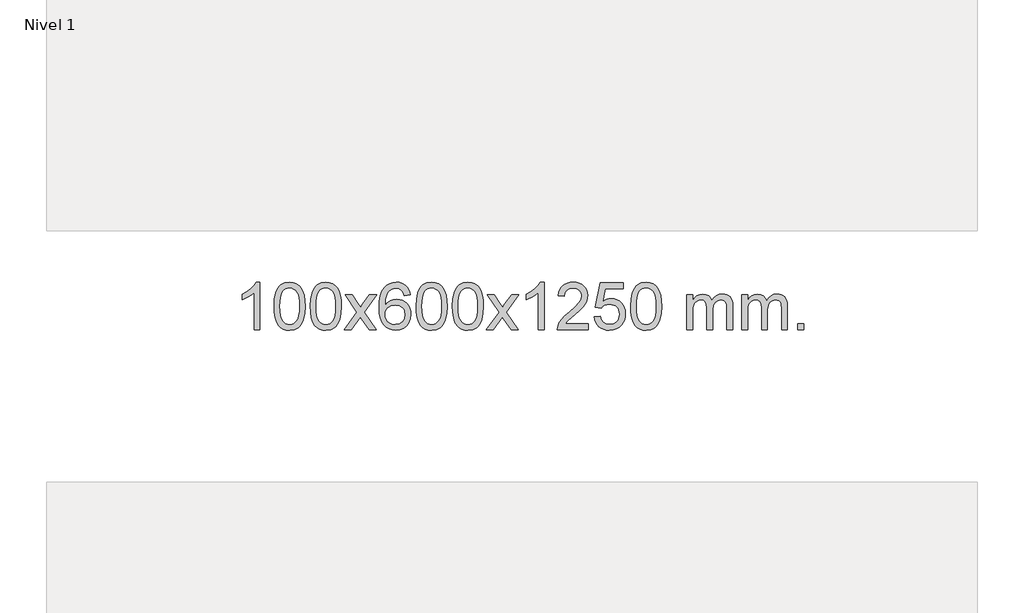
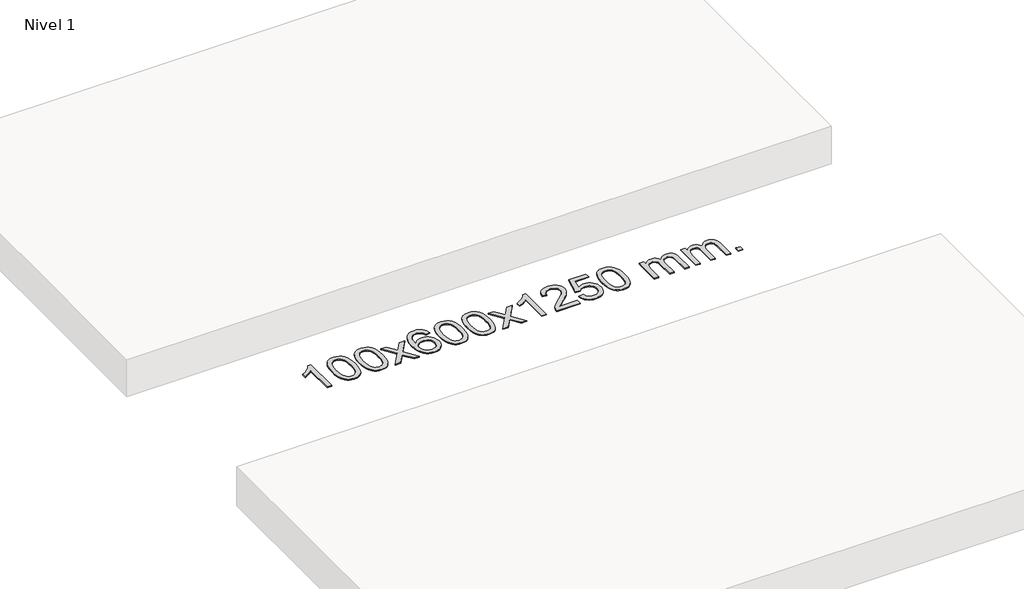
# One storey, part 5 of 5: 1 proxy.
"""IFC4 building model written with IfcOpenShell, lengths in millimetres."""

from ifc_helpers import new_model, si_unit, origin, origin_with_axes, place, context, project, spatial, polyline, outline, extrude, element, save

model = new_model("IFC4")

# Units and contexts
model_context = context("Model", 3, world=origin())
ifc_project = project(units=[si_unit("LENGTHUNIT", "METRE", prefix="MILLI")], contexts=[model_context])

# Site, building, storey
site = spatial("IfcSite", under=ifc_project)
building = spatial("IfcBuilding", under=site)
storey = spatial("IfcBuildingStorey", under=building, Name="Nivel 1", Elevation=0.0)

# Proxy
placement = place(None, origin())
element("IfcBuildingElementProxy", 1, Name="Texto de modelo 1", ObjectType="Texto de modelo 1", at=placement, inside=storey, context=model_context, shape_type="SweptSolid", body=[
    extrude(outline(polyline([(-11506.2923798, -6484.6168569), (-11556.5205348, -6484.6168569), (-11556.5205348, -6171.4757026), (-11577.4898086, -6188.4350626), (-11604.0999396, -6205.3698971), (-11656.976845, -6230.7292293), (-11656.976845, -6183.2479264), (-11617.5276324, -6161.7881434), (-11583.351395, -6136.2571329), (-11556.4101702, -6109.1074417), (-11538.6659953, -6082.7916163), (-11506.2923798, -6082.7916163), (-11506.2923798, -6484.6168569)])), origin_with_axes(), (0.0, 0.0, 1.0), 10.0),
    extrude(outline(polyline([(-11387.0005115, -6286.9415981), (-11383.3094288, -6222.6235626), (-11372.2361807, -6171.3285498), (-11353.8911319, -6132.2717446), (-11342.0330689, -6117.0383643), (-11328.3846469, -6104.6683323), (-11312.8998806, -6095.097269), (-11295.5327847, -6088.2607953), (-11255.1516044, -6082.7916163), (-11224.2004659, -6086.0289778), (-11196.4866889, -6095.7410625), (-11173.3101232, -6111.5477256), (-11155.9706185, -6133.0688223), (-11142.8740195, -6160.1204117), (-11132.4261708, -6192.5185527), (-11125.5835657, -6233.6600225), (-11123.3026973, -6286.9415981), (-11126.9569918, -6350.8917516), (-11137.9198753, -6402.0641372), (-11156.1545595, -6441.1577305), (-11167.9850313, -6456.437096), (-11181.6242563, -6468.8715075), (-11197.1274167, -6478.5069501), (-11214.5496949, -6485.3894091), (-11255.1516044, -6490.8953763), (-11282.8163304, -6488.5041433), (-11307.3417968, -6481.3304444), (-11328.7280034, -6469.3742795), (-11346.9749504, -6452.6356488), (-11364.4861334, -6422.3773547), (-11376.9941212, -6384.6755815), (-11384.4989139, -6339.5303293), (-11387.0005115, -6286.9415981)]), holes=[polyline([(-11336.7723564, -6286.8434963), (-11335.3008284, -6330.5080234), (-11330.8862445, -6365.8522861), (-11323.5286046, -6392.8762843), (-11313.2279087, -6411.5800181), (-11300.7689718, -6424.3056694), (-11286.9366088, -6433.3954204), (-11271.7308196, -6438.849271), (-11255.1516044, -6440.6672212), (-11238.5723891, -6438.8431396), (-11223.3666, -6433.3708949), (-11209.534237, -6424.2504871), (-11197.0753001, -6411.4819162), (-11186.7746042, -6392.7475256), (-11179.4169643, -6365.7296588), (-11175.0023804, -6330.4283156), (-11173.5308524, -6286.8434963), (-11174.9533294, -6244.3347317), (-11179.2207606, -6209.6128027), (-11186.3331458, -6182.6777093), (-11196.2904852, -6163.5294515), (-11208.5409556, -6150.1814664), (-11222.5327342, -6140.6471914), (-11238.2658208, -6134.9266264), (-11255.7402156, -6133.0197713), (-11272.2335917, -6134.6997658), (-11287.1818634, -6139.7397491), (-11300.5850308, -6148.1397213), (-11312.4430938, -6159.8996825), (-11323.0871462, -6180.7463289), (-11330.6900407, -6208.8525133), (-11335.2517775, -6244.2182358), (-11336.7723564, -6286.8434963)])]), origin_with_axes(), (0.0, 0.0, 1.0), 10.0),
    extrude(outline(polyline([(-11079.3530616, -6286.9415981), (-11075.6619789, -6222.6235626), (-11064.5887309, -6171.3285498), (-11046.2436821, -6132.2717446), (-11034.3856191, -6117.0383643), (-11020.7371971, -6104.6683323), (-11005.2524308, -6095.097269), (-10987.8853349, -6088.2607953), (-10947.5041546, -6082.7916163), (-10916.553016, -6086.0289778), (-10888.8392391, -6095.7410625), (-10865.6626734, -6111.5477256), (-10848.3231687, -6133.0688223), (-10835.2265696, -6160.1204117), (-10824.778721, -6192.5185527), (-10817.9361159, -6233.6600225), (-10815.6552475, -6286.9415981), (-10819.309542, -6350.8917516), (-10830.2724254, -6402.0641372), (-10848.5071097, -6441.1577305), (-10860.3375815, -6456.437096), (-10873.9768065, -6468.8715075), (-10889.4799669, -6478.5069501), (-10906.902245, -6485.3894091), (-10947.5041546, -6490.8953763), (-10975.1688806, -6488.5041433), (-10999.6943469, -6481.3304444), (-11021.0805536, -6469.3742795), (-11039.3275006, -6452.6356488), (-11056.8386835, -6422.3773547), (-11069.3466714, -6384.6755815), (-11076.8514641, -6339.5303293), (-11079.3530616, -6286.9415981)]), holes=[polyline([(-11029.1249066, -6286.8434963), (-11027.6533786, -6330.5080234), (-11023.2387946, -6365.8522861), (-11015.8811547, -6392.8762843), (-11005.5804589, -6411.5800181), (-10993.121522, -6424.3056694), (-10979.2891589, -6433.3954204), (-10964.0833698, -6438.849271), (-10947.5041546, -6440.6672212), (-10930.9249393, -6438.8431396), (-10915.7191502, -6433.3708949), (-10901.8867872, -6424.2504871), (-10889.4278503, -6411.4819162), (-10879.1271544, -6392.7475256), (-10871.7695145, -6365.7296588), (-10867.3549305, -6330.4283156), (-10865.8834026, -6286.8434963), (-10867.3058796, -6244.3347317), (-10871.5733108, -6209.6128027), (-10878.685696, -6182.6777093), (-10888.6430353, -6163.5294515), (-10900.8935058, -6150.1814664), (-10914.8852843, -6140.6471914), (-10930.618371, -6134.9266264), (-10948.0927658, -6133.0197713), (-10964.5861419, -6134.6997658), (-10979.5344136, -6139.7397491), (-10992.937581, -6148.1397213), (-11004.7956439, -6159.8996825), (-11015.4396963, -6180.7463289), (-11023.0425909, -6208.8525133), (-11027.6043276, -6244.2182358), (-11029.1249066, -6286.8434963)])]), origin_with_axes(), (0.0, 0.0, 1.0), 10.0),
    extrude(outline(polyline([(-10790.54117, -6484.6168569), (-10683.2177292, -6336.2868364), (-10784.2626506, -6189.5264458), (-10723.8319015, -6189.5264458), (-10675.0752744, -6260.1597889), (-10652.3156416, -6293.5144231), (-10632.5971667, -6266.2421045), (-10577.0715109, -6189.5264458), (-10516.6407618, -6189.5264458), (-10622.7869802, -6336.2868364), (-10520.5648364, -6484.6168569), (-10580.9955855, -6484.6168569), (-10642.5054551, -6395.4422612), (-10653.7871696, -6379.1573516), (-10730.1104209, -6484.6168569), (-10790.54117, -6484.6168569)])), origin_with_axes(), (0.0, 0.0, 1.0), 10.0),
    extrude(outline(polyline([(-10231.7529447, -6189.5264458), (-10281.9810998, -6195.8049652), (-10290.0745037, -6170.9116168), (-10301.0128617, -6153.9154687), (-10323.7970199, -6138.2436957), (-10351.3391186, -6133.0197713), (-10374.6873626, -6136.0609292), (-10396.6621805, -6145.1844027), (-10415.5345268, -6164.4001055), (-10430.9487824, -6190.850821), (-10441.3598429, -6228.2644199), (-10445.2226038, -6280.3687731), (-10425.0749332, -6256.8611137), (-10400.9296116, -6240.2941611), (-10374.1355396, -6230.4717119), (-10346.0416179, -6227.1975621), (-10321.908559, -6229.4355109), (-10299.6394356, -6236.1493573), (-10279.2342476, -6247.3391013), (-10260.692995, -6263.004743), (-10245.2848708, -6282.2143145), (-10234.2790678, -6304.0358482), (-10227.675586, -6328.469344), (-10225.4744254, -6355.514802), (-10229.6192292, -6391.4813984), (-10242.0536406, -6424.8237699), (-10261.7475901, -6453.1016326), (-10287.671008, -6473.8747026), (-10318.646672, -6486.6402078), (-10353.4973597, -6490.8953763), (-10383.4398884, -6488.0749476), (-10410.4822807, -6479.6136617), (-10434.6245367, -6465.5115186), (-10455.8666562, -6445.7685182), (-10473.1847011, -6419.5507947), (-10485.5547332, -6386.0244822), (-10492.9767525, -6345.1895807), (-10495.4507589, -6297.0460903), (-10492.7039067, -6243.0716702), (-10484.46335, -6197.006713), (-10470.7290888, -6158.8512188), (-10451.5011232, -6128.6051874), (-10430.6606082, -6108.56175), (-10406.4968925, -6094.2450091), (-10379.009976, -6085.6549645), (-10348.199859, -6082.7916163), (-10325.0662128, -6084.5635812), (-10304.1275959, -6089.879476), (-10285.3840083, -6098.7393008), (-10268.8354499, -6111.1430554), (-10254.9295104, -6126.6738069), (-10244.1137798, -6144.9146225), (-10236.3882579, -6165.8655021), (-10231.7529447, -6189.5264458)]), holes=[polyline([(-10445.2226038, -6354.7299871), (-10442.3163361, -6376.9868478), (-10433.5975328, -6398.2381644), (-10420.0594753, -6416.5096368), (-10402.6954452, -6429.8269651), (-10381.7384342, -6437.9571571), (-10357.4214343, -6440.6672212), (-10324.2752665, -6435.0508894), (-10310.3601301, -6428.0304746), (-10298.2169585, -6418.201894), (-10288.3669181, -6405.9636863), (-10281.331175, -6391.7143904), (-10275.7025804, -6357.1825337), (-10281.2575986, -6324.036366), (-10288.2013712, -6310.4155351), (-10297.9226529, -6298.7628729), (-10310.1026127, -6289.4278673), (-10324.4224193, -6282.7600061), (-10359.4815735, -6277.4257172), (-10392.5786903, -6282.7600061), (-10420.2556791, -6298.7628729), (-10431.1787086, -6310.2622509), (-10438.9808726, -6323.4232293), (-10443.662171, -6338.245808), (-10445.2226038, -6354.7299871)])]), origin_with_axes(), (0.0, 0.0, 1.0), 10.0),
    extrude(outline(polyline([(-10181.5247897, -6286.9415981), (-10177.833707, -6222.6235626), (-10166.7604589, -6171.3285498), (-10148.4154101, -6132.2717446), (-10136.5573471, -6117.0383643), (-10122.9089251, -6104.6683323), (-10107.4241588, -6095.097269), (-10090.0570629, -6088.2607953), (-10049.6758826, -6082.7916163), (-10018.7247441, -6086.0289778), (-9991.0109671, -6095.7410625), (-9967.8344014, -6111.5477256), (-9950.4948967, -6133.0688223), (-9937.3982977, -6160.1204117), (-9926.950449, -6192.5185527), (-9920.1078439, -6233.6600225), (-9917.8269755, -6286.9415981), (-9921.48127, -6350.8917516), (-9932.4441535, -6402.0641372), (-9950.6788377, -6441.1577305), (-9962.5093095, -6456.437096), (-9976.1485345, -6468.8715075), (-9991.6516949, -6478.5069501), (-10009.0739731, -6485.3894091), (-10049.6758826, -6490.8953763), (-10077.3406086, -6488.5041433), (-10101.866075, -6481.3304444), (-10123.2522816, -6469.3742795), (-10141.4992286, -6452.6356488), (-10159.0104116, -6422.3773547), (-10171.5183994, -6384.6755815), (-10179.0231921, -6339.5303293), (-10181.5247897, -6286.9415981)]), holes=[polyline([(-10131.2966346, -6286.8434963), (-10129.8251066, -6330.5080234), (-10125.4105227, -6365.8522861), (-10118.0528828, -6392.8762843), (-10107.7521869, -6411.5800181), (-10095.29325, -6424.3056694), (-10081.460887, -6433.3954204), (-10066.2550978, -6438.849271), (-10049.6758826, -6440.6672212), (-10033.0966674, -6438.8431396), (-10017.8908782, -6433.3708949), (-10004.0585152, -6424.2504871), (-9991.5995783, -6411.4819162), (-9981.2988824, -6392.7475256), (-9973.9412425, -6365.7296588), (-9969.5266586, -6330.4283156), (-9968.0551306, -6286.8434963), (-9969.4776077, -6244.3347317), (-9973.7450388, -6209.6128027), (-9980.857424, -6182.6777093), (-9990.8147634, -6163.5294515), (-10003.0652338, -6150.1814664), (-10017.0570124, -6140.6471914), (-10032.790099, -6134.9266264), (-10050.2644938, -6133.0197713), (-10066.7578699, -6134.6997658), (-10081.7061416, -6139.7397491), (-10095.109309, -6148.1397213), (-10106.967372, -6159.8996825), (-10117.6114244, -6180.7463289), (-10125.2143189, -6208.8525133), (-10129.7760557, -6244.2182358), (-10131.2966346, -6286.8434963)])]), origin_with_axes(), (0.0, 0.0, 1.0), 10.0),
    extrude(outline(polyline([(-9873.8773398, -6286.9415981), (-9870.1862572, -6222.6235626), (-9859.1130091, -6171.3285498), (-9840.7679603, -6132.2717446), (-9828.9098973, -6117.0383643), (-9815.2614753, -6104.6683323), (-9799.776709, -6095.097269), (-9782.4096131, -6088.2607953), (-9742.0284328, -6082.7916163), (-9711.0772942, -6086.0289778), (-9683.3635173, -6095.7410625), (-9660.1869516, -6111.5477256), (-9642.8474469, -6133.0688223), (-9629.7508478, -6160.1204117), (-9619.3029992, -6192.5185527), (-9612.4603941, -6233.6600225), (-9610.1795257, -6286.9415981), (-9613.8338202, -6350.8917516), (-9624.7967036, -6402.0641372), (-9643.0313879, -6441.1577305), (-9654.8618597, -6456.437096), (-9668.5010847, -6468.8715075), (-9684.0042451, -6478.5069501), (-9701.4265232, -6485.3894091), (-9742.0284328, -6490.8953763), (-9769.6931588, -6488.5041433), (-9794.2186251, -6481.3304444), (-9815.6048318, -6469.3742795), (-9833.8517788, -6452.6356488), (-9851.3629617, -6422.3773547), (-9863.8709496, -6384.6755815), (-9871.3757423, -6339.5303293), (-9873.8773398, -6286.9415981)]), holes=[polyline([(-9823.6491848, -6286.8434963), (-9822.1776568, -6330.5080234), (-9817.7630728, -6365.8522861), (-9810.4054329, -6392.8762843), (-9800.1047371, -6411.5800181), (-9787.6458002, -6424.3056694), (-9773.8134372, -6433.3954204), (-9758.607648, -6438.849271), (-9742.0284328, -6440.6672212), (-9725.4492175, -6438.8431396), (-9710.2434284, -6433.3708949), (-9696.4110654, -6424.2504871), (-9683.9521285, -6411.4819162), (-9673.6514326, -6392.7475256), (-9666.2937927, -6365.7296588), (-9661.8792088, -6330.4283156), (-9660.4076808, -6286.8434963), (-9661.8301578, -6244.3347317), (-9666.097589, -6209.6128027), (-9673.2099742, -6182.6777093), (-9683.1673135, -6163.5294515), (-9695.417784, -6150.1814664), (-9709.4095625, -6140.6471914), (-9725.1426492, -6134.9266264), (-9742.617044, -6133.0197713), (-9759.1104201, -6134.6997658), (-9774.0586918, -6139.7397491), (-9787.4618592, -6148.1397213), (-9799.3199221, -6159.8996825), (-9809.9639745, -6180.7463289), (-9817.5668691, -6208.8525133), (-9822.1286058, -6244.2182358), (-9823.6491848, -6286.8434963)])]), origin_with_axes(), (0.0, 0.0, 1.0), 10.0),
    extrude(outline(polyline([(-9585.0654482, -6484.6168569), (-9477.7420074, -6336.2868364), (-9578.7869288, -6189.5264458), (-9518.3561797, -6189.5264458), (-9469.5995526, -6260.1597889), (-9446.8399198, -6293.5144231), (-9427.1214449, -6266.2421045), (-9371.5957891, -6189.5264458), (-9311.16504, -6189.5264458), (-9417.3112584, -6336.2868364), (-9315.0891146, -6484.6168569), (-9375.5198637, -6484.6168569), (-9437.0297333, -6395.4422612), (-9448.3114478, -6379.1573516), (-9524.6346991, -6484.6168569), (-9585.0654482, -6484.6168569)])), origin_with_axes(), (0.0, 0.0, 1.0), 10.0),
    extrude(outline(polyline([(-9095.3409362, -6484.6168569), (-9145.5690913, -6484.6168569), (-9145.5690913, -6171.4757026), (-9166.538365, -6188.4350626), (-9193.148496, -6205.3698971), (-9246.0254014, -6230.7292293), (-9246.0254014, -6183.2479264), (-9206.5761888, -6161.7881434), (-9172.3999514, -6136.2571329), (-9145.4587267, -6109.1074417), (-9127.7145518, -6082.7916163), (-9095.3409362, -6082.7916163), (-9095.3409362, -6484.6168569)])), origin_with_axes(), (0.0, 0.0, 1.0), 10.0),
    extrude(outline(polyline([(-8718.6297731, -6434.3887018), (-8718.6297731, -6484.6168569), (-8982.3275873, -6484.6168569), (-8981.2239413, -6466.9339956), (-8976.9319847, -6449.9868984), (-8964.5466242, -6422.9230463), (-8946.4223045, -6396.6685346), (-8920.204581, -6369.1877495), (-8883.5390088, -6338.4450775), (-8829.3377282, -6290.301587), (-8796.8169598, -6254.7641863), (-8780.5565756, -6225.9222379), (-8775.1364476, -6197.8651044), (-8780.2500073, -6172.7142386), (-8795.5906865, -6151.8062786), (-8819.1719224, -6137.7163982), (-8849.0071522, -6133.0197713), (-8880.3384355, -6137.6060336), (-8904.6799608, -6151.3648202), (-8920.388522, -6173.2170107), (-8925.8209128, -6202.0834846), (-8976.0490679, -6195.8049652), (-8971.7295201, -6169.8754159), (-8963.8721738, -6147.2200164), (-8952.477029, -6127.8387666), (-8937.5440857, -6111.7316666), (-8919.4167004, -6099.0703946), (-8898.4382296, -6090.0266288), (-8874.6086734, -6084.6003694), (-8847.9280317, -6082.7916163), (-8821.0082667, -6084.8027045), (-8797.0499518, -6090.8359692), (-8776.0530869, -6100.8914104), (-8758.0176721, -6114.9690281), (-8743.5323185, -6132.02649), (-8733.1856374, -6151.0214636), (-8726.9776287, -6171.9539492), (-8724.9082925, -6194.8239465), (-8727.1401099, -6218.8466408), (-8733.8355623, -6242.4524022), (-8745.7181507, -6266.4628337), (-8763.5113765, -6291.6995386), (-8791.8750784, -6321.829074), (-8835.4690948, -6360.5179972), (-8893.2510935, -6408.8331659), (-8915.9126244, -6434.3887018), (-8718.6297731, -6434.3887018)])), origin_with_axes(), (0.0, 0.0, 1.0), 10.0),
    extrude(outline(polyline([(-8668.401618, -6377.8820273), (-8618.173463, -6371.603508), (-8608.9518876, -6401.7575688), (-8592.8631817, -6423.3522419), (-8569.9809216, -6436.3384764), (-8540.3786837, -6440.6672212), (-8521.24882, -6439.1619707), (-8504.3752991, -6434.6462192), (-8489.7581212, -6427.1199667), (-8477.3972861, -6416.5832132), (-8467.5687055, -6403.5571249), (-8460.5482908, -6388.5628679), (-8454.931959, -6352.6698479), (-8460.1926715, -6318.8737553), (-8466.7685622, -6304.9555532), (-8475.9748091, -6293.0239138), (-8487.8420691, -6283.4528505), (-8502.4009991, -6276.6163768), (-8539.5938688, -6271.1471978), (-8563.9599196, -6273.3299643), (-8583.6906573, -6279.8782638), (-8599.4482694, -6289.9091796), (-8611.8949436, -6302.5397947), (-8662.1230987, -6296.2612753), (-8618.173463, -6089.0701357), (-8423.5393621, -6089.0701357), (-8423.5393621, -6139.2982907), (-8577.5592907, -6139.2982907), (-8599.0435992, -6249.9571949), (-8581.3178184, -6237.2530033), (-8563.162842, -6228.1785808), (-8544.5786698, -6222.7339272), (-8525.565302, -6220.9190427), (-8501.1042151, -6223.1692543), (-8478.6358222, -6229.9198889), (-8458.1601235, -6241.1709466), (-8439.6771189, -6256.9224273), (-8424.3762936, -6276.2117066), (-8413.4471327, -6298.0761598), (-8406.8896361, -6322.5157871), (-8404.7038039, -6349.5305882), (-8406.6719726, -6375.552108), (-8412.5764786, -6399.7587433), (-8422.417322, -6422.1504941), (-8436.1945027, -6442.7273604), (-8457.0656745, -6463.8008673), (-8481.4194626, -6478.8533723), (-8509.2558669, -6487.8848753), (-8540.5748875, -6490.8953763), (-8566.4952397, -6488.9609301), (-8589.907863, -6483.1575916), (-8610.8127574, -6473.4853608), (-8629.2099228, -6459.9442377), (-8644.5168795, -6443.2086726), (-8656.1511476, -6423.9531159), (-8664.1127271, -6402.1775674), (-8668.401618, -6377.8820273)])), origin_with_axes(), (0.0, 0.0, 1.0), 10.0),
    extrude(outline(polyline([(-8360.7541682, -6286.9415981), (-8357.0630855, -6222.6235626), (-8345.9898375, -6171.3285498), (-8327.6447886, -6132.2717446), (-8315.7867257, -6117.0383643), (-8302.1383036, -6104.6683323), (-8286.6535373, -6095.097269), (-8269.2864415, -6088.2607953), (-8228.9052611, -6082.7916163), (-8197.9541226, -6086.0289778), (-8170.2403456, -6095.7410625), (-8147.0637799, -6111.5477256), (-8129.7242752, -6133.0688223), (-8116.6276762, -6160.1204117), (-8106.1798275, -6192.5185527), (-8099.3372224, -6233.6600225), (-8097.0563541, -6286.9415981), (-8100.7106486, -6350.8917516), (-8111.673532, -6402.0641372), (-8129.9082162, -6441.1577305), (-8141.7386881, -6456.437096), (-8155.377913, -6468.8715075), (-8170.8810734, -6478.5069501), (-8188.3033516, -6485.3894091), (-8228.9052611, -6490.8953763), (-8256.5699872, -6488.5041433), (-8281.0954535, -6481.3304444), (-8302.4816602, -6469.3742795), (-8320.7286071, -6452.6356488), (-8338.2397901, -6422.3773547), (-8350.7477779, -6384.6755815), (-8358.2525706, -6339.5303293), (-8360.7541682, -6286.9415981)]), holes=[polyline([(-8310.5260131, -6286.8434963), (-8309.0544852, -6330.5080234), (-8304.6399012, -6365.8522861), (-8297.2822613, -6392.8762843), (-8286.9815654, -6411.5800181), (-8274.5226285, -6424.3056694), (-8260.6902655, -6433.3954204), (-8245.4844764, -6438.849271), (-8228.9052611, -6440.6672212), (-8212.3260459, -6438.8431396), (-8197.1202568, -6433.3708949), (-8183.2878937, -6424.2504871), (-8170.8289568, -6411.4819162), (-8160.528261, -6392.7475256), (-8153.1706211, -6365.7296588), (-8148.7560371, -6330.4283156), (-8147.2845091, -6286.8434963), (-8148.7069862, -6244.3347317), (-8152.9744173, -6209.6128027), (-8160.0868026, -6182.6777093), (-8170.0441419, -6163.5294515), (-8182.2946123, -6150.1814664), (-8196.2863909, -6140.6471914), (-8212.0194776, -6134.9266264), (-8229.4938723, -6133.0197713), (-8245.9872484, -6134.6997658), (-8260.9355202, -6139.7397491), (-8274.3386875, -6148.1397213), (-8286.1967505, -6159.8996825), (-8296.8408029, -6180.7463289), (-8304.4436975, -6208.8525133), (-8309.0054342, -6244.2182358), (-8310.5260131, -6286.8434963)])]), origin_with_axes(), (0.0, 0.0, 1.0), 10.0),
    extrude(outline(polyline([(-7883.586695, -6484.6168569), (-7883.586695, -6189.5264458), (-7833.3585399, -6189.5264458), (-7833.3585399, -6238.0868692), (-7818.2508527, -6215.7809575), (-7798.8266833, -6198.3065628), (-7775.7482195, -6187.0125855), (-7749.6776488, -6183.2479264), (-7721.7431426, -6187.0861619), (-7699.3513918, -6198.6008684), (-7682.6250238, -6217.0317563), (-7671.6866658, -6241.6185363), (-7653.3784052, -6216.0813945), (-7632.4949706, -6197.8405789), (-7609.036362, -6186.8960895), (-7583.0025795, -6183.2479264), (-7562.8947628, -6184.7654397), (-7545.245624, -6189.3179793), (-7530.0551633, -6196.9055455), (-7517.3233806, -6207.5281381), (-7507.2587423, -6221.3083845), (-7500.069715, -6238.368912), (-7495.7562986, -6258.7097207), (-7494.3184932, -6282.3308105), (-7494.3184932, -6484.6168569), (-7544.5466482, -6484.6168569), (-7544.5466482, -6303.9132208), (-7545.7116079, -6278.860457), (-7549.2064868, -6261.9746734), (-7555.7547864, -6250.410916), (-7566.0800077, -6241.3242307), (-7579.3605477, -6235.4381188), (-7594.7748033, -6233.4760815), (-7621.9858082, -6238.5038021), (-7644.1690925, -6253.5869639), (-7652.7744655, -6265.1568526), (-7658.9211605, -6279.7556365), (-7663.8385165, -6318.0398895), (-7663.8385165, -6484.6168569), (-7714.0666716, -6484.6168569), (-7714.0666716, -6298.3214145), (-7716.9729394, -6269.9209245), (-7725.6917427, -6249.6628893), (-7741.0324219, -6237.5227834), (-7763.8043174, -6233.4760815), (-7783.1549103, -6236.1738828), (-7800.9849243, -6244.2672867), (-7815.7002042, -6257.5600894), (-7825.7065944, -6275.8560873), (-7831.4455535, -6301.239945), (-7833.3585399, -6335.7963271), (-7833.3585399, -6484.6168569), (-7883.586695, -6484.6168569)])), origin_with_axes(), (0.0, 0.0, 1.0), 10.0),
    extrude(outline(polyline([(-7418.9762606, -6484.6168569), (-7418.9762606, -6189.5264458), (-7368.7481055, -6189.5264458), (-7368.7481055, -6238.0868692), (-7353.6404182, -6215.7809575), (-7334.2162489, -6198.3065628), (-7311.137785, -6187.0125855), (-7285.0672143, -6183.2479264), (-7257.1327081, -6187.0861619), (-7234.7409574, -6198.6008684), (-7218.0145893, -6217.0317563), (-7207.0762313, -6241.6185363), (-7188.7679707, -6216.0813945), (-7167.8845361, -6197.8405789), (-7144.4259276, -6186.8960895), (-7118.392145, -6183.2479264), (-7098.2843283, -6184.7654397), (-7080.6351896, -6189.3179793), (-7065.4447289, -6196.9055455), (-7052.7129462, -6207.5281381), (-7042.6483079, -6221.3083845), (-7035.4592806, -6238.368912), (-7031.1458642, -6258.7097207), (-7029.7080587, -6282.3308105), (-7029.7080587, -6484.6168569), (-7079.9362138, -6484.6168569), (-7079.9362138, -6303.9132208), (-7081.1011735, -6278.860457), (-7084.5960524, -6261.9746734), (-7091.1443519, -6250.410916), (-7101.4695733, -6241.3242307), (-7114.7501133, -6235.4381188), (-7130.1643689, -6233.4760815), (-7157.3753738, -6238.5038021), (-7179.5586581, -6253.5869639), (-7188.1640311, -6265.1568526), (-7194.3107261, -6279.7556365), (-7199.2280821, -6318.0398895), (-7199.2280821, -6484.6168569), (-7249.4562372, -6484.6168569), (-7249.4562372, -6298.3214145), (-7252.3625049, -6269.9209245), (-7261.0813082, -6249.6628893), (-7276.4219874, -6237.5227834), (-7299.1938829, -6233.4760815), (-7318.5444759, -6236.1738828), (-7336.3744899, -6244.2672867), (-7351.0897697, -6257.5600894), (-7361.09616, -6275.8560873), (-7366.8351191, -6301.239945), (-7368.7481055, -6335.7963271), (-7368.7481055, -6484.6168569), (-7418.9762606, -6484.6168569)])), origin_with_axes(), (0.0, 0.0, 1.0), 10.0),
    extrude(outline(polyline([(-6941.8087873, -6484.6168569), (-6941.8087873, -6434.3887018), (-6891.5806323, -6434.3887018), (-6891.5806323, -6484.6168569), (-6941.8087873, -6484.6168569)])), origin_with_axes(), (0.0, 0.0, 1.0), 10.0),
])

save(model, "model.ifc")
